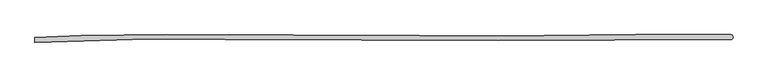
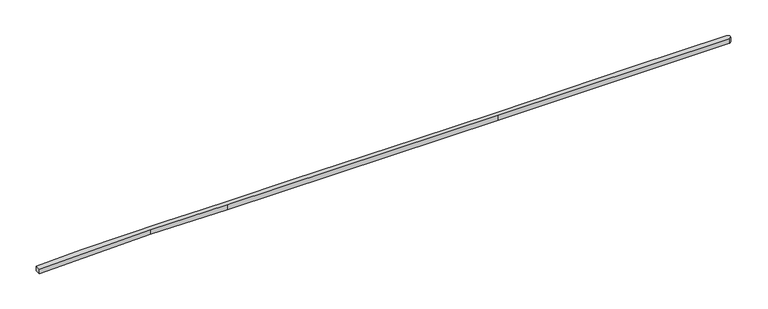
"""IFC4 building model written with IfcOpenShell, lengths in millimetres: proxy geometry."""

import ifcopenshell
import ifcopenshell.guid

model = None  # the IFC model being written
_history = None  # IfcOwnerHistory: only IFC2X3 demands one
_inside = {}  # id of a spatial element -> (the spatial element, [elements in it])
_under = {}  # id of a project, library or spatial element -> (it, [spatial elements below it])
_declared = {}  # id of a project -> (the project, [libraries it declares])
_typed = {}  # id of a type object -> (the type object, [elements of that type])
_made_of = {}  # id of a material, layer set ... -> (it, [elements and type objects made of it])


def new_model(schema):
    """Start an empty IFC model of exactly this schema.

    Asked for "IFC4X3", IfcOpenShell would pick the latest addendum, in which some entities
    have other attributes; the version numbers below select the first issue.
    IFC2X3 requires an IfcOwnerHistory on every rooted entity: one is made here for all.
    """
    global model, _history
    if schema == "IFC4X3":
        model = ifcopenshell.file(schema_version=(4, 3, 0, 0))
    else:
        model = ifcopenshell.file(schema=schema)
    _inside.clear()
    _under.clear()
    _declared.clear()
    _typed.clear()
    _made_of.clear()
    _history = None
    if model.schema == "IFC2X3":
        org = make("IfcOrganization", Name="unknown")
        user = make(
            "IfcPersonAndOrganization",
            ThePerson=make("IfcPerson", FamilyName="unknown"),
            TheOrganization=org,
        )
        app = make(
            "IfcApplication",
            ApplicationDeveloper=org,
            Version="unknown",
            ApplicationFullName="unknown",
            ApplicationIdentifier="unknown",
        )
        _history = make(
            "IfcOwnerHistory",
            OwningUser=user,
            OwningApplication=app,
            ChangeAction="ADDED",
            CreationDate=0,
        )
    return model


def make(cls, **values):
    """One entity of the class cls with the attributes given. An attribute that is None is left unset."""
    return model.create_entity(
        cls, **{name: value for name, value in values.items() if value is not None}
    )


def rooted(cls, **values):
    """An entity with a GlobalId (a new one), such as an element, a storey or a relation."""
    return make(cls, GlobalId=ifcopenshell.guid.new(), OwnerHistory=_history, **values)


def si_unit(unit_type, name, prefix=None):
    """IfcSIUnit, for example si_unit("LENGTHUNIT", "METRE", prefix="MILLI")."""
    return make("IfcSIUnit", UnitType=unit_type, Prefix=prefix, Name=name)


def assignment(units):
    """IfcUnitAssignment: the units of a project."""
    return None if units is None else make("IfcUnitAssignment", Units=units)


def point(xyz):
    """IfcCartesianPoint."""
    return None if xyz is None else make("IfcCartesianPoint", Coordinates=xyz)


def direction(xyz):
    """IfcDirection."""
    return None if xyz is None else make("IfcDirection", DirectionRatios=xyz)


def frame(location, z_axis=None, x_axis=None):
    """IfcAxis2Placement3D, a coordinate frame: its origin and axes. An axis left out is left unset."""
    return make(
        "IfcAxis2Placement3D",
        Location=point(location),
        Axis=direction(z_axis),
        RefDirection=direction(x_axis),
    )


def frame_2d(location, x_axis=None):
    """IfcAxis2Placement2D, a coordinate frame in the plane: its origin and x axis."""
    return make(
        "IfcAxis2Placement2D", Location=point(location), RefDirection=direction(x_axis)
    )


def origin():
    """The frame at (0, 0, 0) with its axes left unset."""
    return frame((0.0, 0.0, 0.0))


def place(relative_to, where):
    """IfcLocalPlacement: puts the frame where relative to a parent placement (None: the world)."""
    return make(
        "IfcLocalPlacement", PlacementRelTo=relative_to, RelativePlacement=where
    )


def context(
    kind, dimensions, precision=None, world=None, true_north=None, identifier=None
):
    """IfcGeometricRepresentationContext, for example the 3D "Model" context."""
    return make(
        "IfcGeometricRepresentationContext",
        ContextIdentifier=identifier,
        ContextType=kind,
        CoordinateSpaceDimension=dimensions,
        Precision=precision,
        WorldCoordinateSystem=world,
        TrueNorth=true_north,
    )


def project(units=None, contexts=None):
    """IfcProject with its units and contexts."""
    return rooted(
        "IfcProject",
        Name="project",
        RepresentationContexts=contexts,
        UnitsInContext=assignment(units),
    )


def spatial(cls, under=None, at=None, **own):
    """A site, building, storey or space (cls), placed at a placement, below another one or the project."""
    s = rooted(cls, ObjectPlacement=at, **own)
    if under is not None:
        _under.setdefault(under.id(), (under, []))[1].append(s)
    return s


def polyline(points):
    """IfcPolyline through the points."""
    return make("IfcPolyline", Points=[point(p) for p in points])


def circle_curve(where, radius):
    """IfcCircle in the frame where."""
    return make("IfcCircle", Position=where, Radius=radius)


def trimmed(basis, trim1, trim2, sense, master):
    """IfcTrimmedCurve: the piece of a basis curve between two trims."""
    return make(
        "IfcTrimmedCurve",
        BasisCurve=basis,
        Trim1=trim1,
        Trim2=trim2,
        SenseAgreement=sense,
        MasterRepresentation=master,
    )


def segment(curve, same_sense, transition):
    """IfcCompositeCurveSegment."""
    return make(
        "IfcCompositeCurveSegment",
        Transition=transition,
        SameSense=same_sense,
        ParentCurve=curve,
    )


def composite_curve(segments, self_intersect=None):
    """IfcCompositeCurve: segments joined end to end."""
    return make("IfcCompositeCurve", Segments=segments, SelfIntersect=self_intersect)


def outline(outer, holes=None, kind="AREA"):
    """IfcArbitraryClosedProfileDef: a profile drawn as a closed curve; with holes, ...WithVoids."""
    if holes is None:
        return make("IfcArbitraryClosedProfileDef", ProfileType=kind, OuterCurve=outer)
    return make(
        "IfcArbitraryProfileDefWithVoids",
        ProfileType=kind,
        OuterCurve=outer,
        InnerCurves=holes,
    )


def extrude(swept, where, along, depth):
    """IfcExtrudedAreaSolid: the profile swept, set in the frame where, extruded along a direction by depth."""
    return make(
        "IfcExtrudedAreaSolid",
        SweptArea=swept,
        Position=where,
        ExtrudedDirection=direction(along),
        Depth=depth,
    )


def shape(context_of_items, identifier, shape_type, items):
    """IfcShapeRepresentation: the items that make up one representation, for example the "Body"."""
    return make(
        "IfcShapeRepresentation",
        ContextOfItems=context_of_items,
        RepresentationIdentifier=identifier,
        RepresentationType=shape_type,
        Items=items,
    )


def source(mapping_origin, context_of_items, identifier, shape_type, items):
    """IfcRepresentationMap: a shape defined once, which mapped items show again and again."""
    return make(
        "IfcRepresentationMap",
        MappingOrigin=mapping_origin,
        MappedRepresentation=shape(context_of_items, identifier, shape_type, items),
    )


def transform(
    local_origin,
    x_axis=None,
    y_axis=None,
    z_axis=None,
    scale=None,
    scale2=None,
    scale3=None,
    uniform=True,
):
    """IfcCartesianTransformationOperator3D, or its non-uniform kind. x_axis, y_axis, z_axis: its Axis1, 2, 3."""
    if uniform:
        return make(
            "IfcCartesianTransformationOperator3D",
            Axis1=direction(x_axis),
            Axis2=direction(y_axis),
            LocalOrigin=point(local_origin),
            Scale=scale,
            Axis3=direction(z_axis),
        )
    return make(
        "IfcCartesianTransformationOperator3DnonUniform",
        Axis1=direction(x_axis),
        Axis2=direction(y_axis),
        LocalOrigin=point(local_origin),
        Scale=scale,
        Axis3=direction(z_axis),
        Scale2=scale2,
        Scale3=scale3,
    )


def mapped(mapping_source, mapping_target):
    """IfcMappedItem: shows the shape of a source again, moved by a transform."""
    return make(
        "IfcMappedItem", MappingSource=mapping_source, MappingTarget=mapping_target
    )


def made_of(thing, what):
    """Note that an element or type object is made of a material, layer set ...; save() writes the relation."""
    if what is not None:
        _made_of.setdefault(what.id(), (what, []))[1].append(thing)
    return thing


def element(
    cls,
    number,
    at=None,
    inside=None,
    cuts=None,
    type_object=None,
    material=None,
    context=None,
    identifier="Body",
    shape_type=None,
    held_by="IfcProductDefinitionShape",
    body=None,
    shapes=None,
    **own,
):
    """One element of the class cls, such as IfcWall. Its Tag is "e" and its number.

    at: its placement. inside: the storey or other place that contains it. cuts: it is an
    opening in that element (IfcRelVoidsElement). A single representation is given by context,
    identifier, shape_type and body (its items); several are given by shapes. held_by: the class
    of the entity that holds the representations. save() writes the other relations.
    """
    e = rooted(cls, Tag="e%d" % number, ObjectPlacement=at, **own)
    if body is not None:
        shapes = [shape(context, identifier, shape_type, body)]
    if shapes is not None:
        e.Representation = make(held_by, Representations=shapes)
    if inside is not None:
        _inside.setdefault(inside.id(), (inside, []))[1].append(e)
    if cuts is not None:
        rooted(
            "IfcRelVoidsElement", RelatingBuildingElement=cuts, RelatedOpeningElement=e
        )
    if type_object is not None:
        _typed.setdefault(type_object.id(), (type_object, []))[1].append(e)
    return made_of(e, material)


def aggregate(whole, parts):
    """IfcRelAggregates: a whole, such as a stair, and the parts it consists of."""
    return rooted("IfcRelAggregates", RelatingObject=whole, RelatedObjects=parts)


def save(model, path):
    """Write the relations noted so far, then the file.

    IfcRelAggregates (storeys below a building ...), IfcRelContainedInSpatialStructure (elements
    in a storey), IfcRelDefinesByType, IfcRelAssociatesMaterial and IfcRelDeclares: one each for
    every whole, place, type object, material and project.
    """
    for whole, parts in _under.values():
        aggregate(whole, parts)
    for where, things in _inside.values():
        rooted(
            "IfcRelContainedInSpatialStructure",
            RelatedElements=things,
            RelatingStructure=where,
        )
    for kind, things in _typed.values():
        rooted("IfcRelDefinesByType", RelatedObjects=things, RelatingType=kind)
    for what, things in _made_of.values():
        rooted("IfcRelAssociatesMaterial", RelatedObjects=things, RelatingMaterial=what)
    for by, libraries in _declared.values():
        rooted("IfcRelDeclares", RelatingContext=by, RelatedDefinitions=libraries)
    model.write(path)


def generic_models_c7429a92(model_context):
    return source(origin(), model_context, "Body", "SweptSolid", [
        extrude(outline(composite_curve([segment(polyline([(83784.4861898, 122972.0828821), (66693.6379417, 123012.2963994), (61887.0660433, 123064.081181), (54756.1030296, 122844.0762081), (54756.1030296, 123154.0495986), (57655.7015578, 123266.6958723), (63020.3006553, 123323.9206765), (65255.3102653, 123287.7128625), (67078.7040968, 123287.7128625), (70958.4639444, 123309.4519518), (78853.1494664, 123279.4151013), (83795.9353009, 123255.448383), (92414.7874368, 123319.4642353), (98356.0360475, 123319.4642353)]), True, "CONTINUOUS"), segment(trimmed(circle_curve(frame_2d((98356.0360475, 123165.8803173)), 153.5839179), [point((98356.0360475, 123319.4642353))], [point((98356.0360475, 123012.2963994))], False, "CARTESIAN"), True, "CONTINUOUS"), segment(polyline([(98356.0360475, 123012.2963994), (83784.4861898, 122972.0828821)]), True, "CONTINUOUS")], self_intersect=False)), frame((0.0, 0.0, 13426.6957), z_axis=(0.0, 0.0, 1.0), x_axis=(1.0, 0.0, 0.0)), (0.0, 0.0, 1.0), 313.7979246),
    ])


if __name__ == "__main__":
    model = new_model("IFC4")
    model_context = context("Model", 3, world=origin())
    ifc_project = project(units=[si_unit("LENGTHUNIT", "METRE", prefix="MILLI")], contexts=[model_context])
    site = spatial("IfcSite", under=ifc_project)
    building = spatial("IfcBuilding", under=site)
    placement = place(None, origin())
    generic_models_shape = generic_models_c7429a92(model_context)
    element("IfcBuildingElementProxy", 1, Name="Generic Models", at=placement, inside=building, context=model_context, shape_type="MappedRepresentation", body=[
        mapped(generic_models_shape, transform((0.0, 0.0, 0.0), x_axis=(1.0, 0.0, 0.0), y_axis=(0.0, 1.0, 0.0), z_axis=(0.0, 0.0, 1.0))),
    ])
    save(model, "model.ifc")
